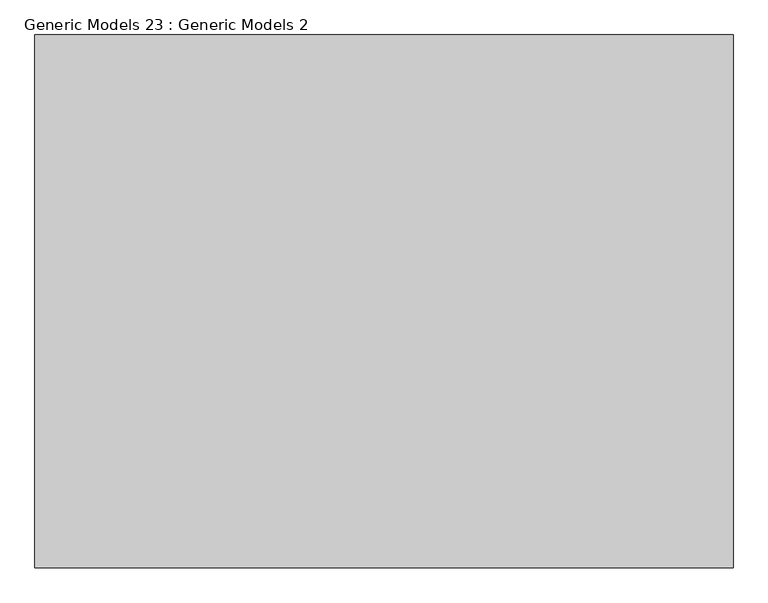
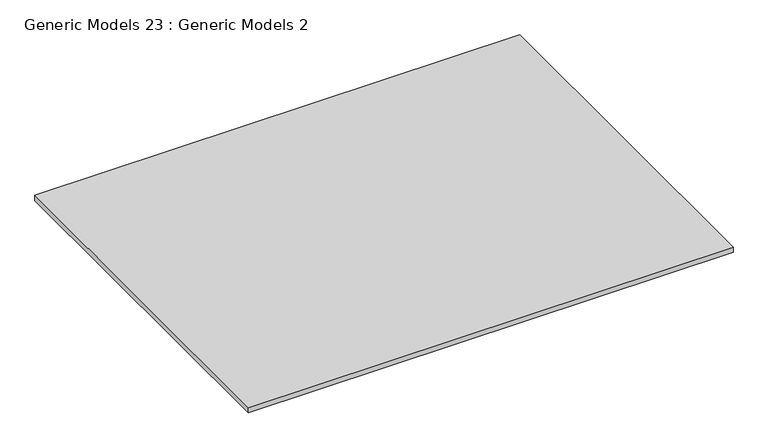
"""IFC4 building model written with IfcOpenShell, lengths in millimetres: proxy geometry, Generic Models 23 : Generic Models 2."""

from ifc_helpers import new_model, si_unit, frame, origin, place, context, project, spatial, polyline, outline, extrude, source, transform, mapped, element, save


def generic_models_23_generic_models_2_e0e43148(model_context):
    return source(origin(), model_context, "Body", "SweptSolid", [
        extrude(outline(polyline([(-14619.5224271, 5714.5357079), (-16319.5224271, 5714.5357079), (-16319.5224271, 7012.0360849), (-14619.5224271, 7012.0360849), (-14619.5224271, 5714.5357079)])), frame((0.0, 0.0, 8140.0), z_axis=(0.0, 0.0, 1.0), x_axis=(1.0, 0.0, 0.0)), (0.0, 0.0, 1.0), 20.0),
    ])


if __name__ == "__main__":
    model = new_model("IFC4")
    model_context = context("Model", 3, world=origin())
    ifc_project = project(units=[si_unit("LENGTHUNIT", "METRE", prefix="MILLI")], contexts=[model_context])
    site = spatial("IfcSite", under=ifc_project)
    building = spatial("IfcBuilding", under=site)
    placement = place(None, origin())
    generic_models_23_generic_models_2_shape = generic_models_23_generic_models_2_e0e43148(model_context)
    element("IfcBuildingElementProxy", 1, Name="Generic Models 23 : Generic Models 2", ObjectType="Generic Models 23 : Generic Models 2", at=placement, inside=building, context=model_context, shape_type="MappedRepresentation", body=[
        mapped(generic_models_23_generic_models_2_shape, transform((0.0, 0.0, 0.0), x_axis=(1.0, 0.0, 0.0), y_axis=(0.0, 1.0, 0.0), z_axis=(0.0, 0.0, 1.0))),
    ])
    save(model, "model.ifc")
